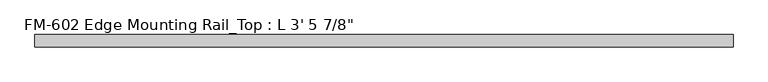
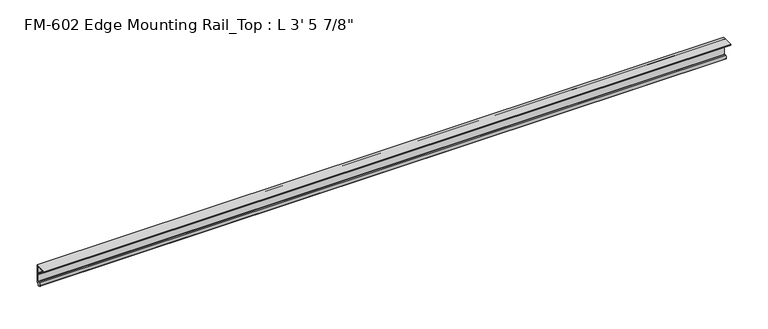
"""IFC4 building model written with IfcOpenShell, lengths in millimetres: proxy geometry."""

from ifc_helpers import new_model, si_unit, point, frame, frame_2d, origin, place, context, project, spatial, polyline, circle_curve, trimmed, segment, composite_curve, outline, extrude, source, transform, mapped, element, save


def proxy_885f9b1a(model_context):
    return source(origin(), model_context, "Body", "SweptSolid", [
        extrude(outline(composite_curve([segment(trimmed(circle_curve(frame_2d((14.5481808, -29.2063136)), 3.048), [point((13.6400687, -32.1158903))], [point((11.9462301, -30.7938136))], False, "CARTESIAN"), True, "CONTINUOUS"), segment(trimmed(circle_curve(frame_2d((14.5481808, -29.2063136)), 3.048), [point((11.9462301, -30.7938136))], [point((13.6400687, -26.2967369))], False, "CARTESIAN"), True, "CONTINUOUS"), segment(polyline([(13.6400687, -26.2967369), (15.4364113, -25.7360779)]), True, "CONTINUOUS"), segment(trimmed(circle_curve(frame_2d((15.6245238, -26.2747792)), 0.5706009), [point((15.4364113, -25.7360779))], [point((16.1779173, -26.4138515))], False, "CARTESIAN"), True, "CONTINUOUS"), segment(trimmed(circle_curve(frame_2d((16.9169378, -26.5995734)), 0.762), [point((16.1779173, -26.4138515))], [point((16.9376166, -27.3612928))], True, "CARTESIAN"), True, "CONTINUOUS"), segment(trimmed(circle_curve(frame_2d((16.9545, -26.8535734)), 0.508), [point((16.9376166, -27.3612928))], [point((17.4625, -26.8535734))], True, "CARTESIAN"), True, "CONTINUOUS"), segment(polyline([(17.4625, -26.8535734), (17.4625, -15.6659614), (17.9716639, -14.7485418), (17.9716639, -13.408381), (17.4625, -12.4909614), (17.4625, -3.5152595)]), True, "CONTINUOUS"), segment(trimmed(circle_curve(frame_2d((15.5575, -3.5152595)), 1.905), [point((17.4625, -3.5152595))], [point((15.5573314, -1.6102595))], True, "CARTESIAN"), True, "CONTINUOUS"), segment(polyline([(15.5573314, -1.6102595), (6.3856306, -1.6018315)]), True, "CONTINUOUS"), segment(trimmed(circle_curve(frame_2d((4.7981953, -1.5875)), 1.5875), [point((6.3856306, -1.6018315))], [point((3.2106953, -1.5875))], False, "CARTESIAN"), True, "CONTINUOUS"), segment(polyline([(3.2106953, -1.5875), (0.0, -1.5875), (0.0, 0.0), (19.05, 0.0), (19.05, -29.1395734), (17.7424378, -29.1395734)]), True, "CONTINUOUS"), segment(trimmed(circle_curve(frame_2d((17.7424378, -30.7270734)), 1.5875), [point((17.7424378, -29.1395734))], [point((16.1549378, -30.7270734))], True, "CARTESIAN"), True, "CONTINUOUS"), segment(polyline([(16.1549378, -30.7270734), (16.1549378, -32.2686835)]), True, "CONTINUOUS"), segment(trimmed(circle_curve(frame_2d((15.6853088, -32.2686835)), 0.4696291), [point((16.1549378, -32.2686835))], [point((15.4750158, -32.6885982))], False, "CARTESIAN"), True, "CONTINUOUS"), segment(polyline([(15.4750158, -32.6885982), (13.6400687, -32.1158903)]), True, "CONTINUOUS")], self_intersect=False)), frame((0.0, 0.0, 0.0), z_axis=(1.0, 0.0, 0.0), x_axis=(0.0, 1.0, 0.0)), (0.0, 0.0, 1.0), 1063.625),
    ])


if __name__ == "__main__":
    model = new_model("IFC4")
    model_context = context("Model", 3, world=origin())
    ifc_project = project(units=[si_unit("LENGTHUNIT", "METRE", prefix="MILLI")], contexts=[model_context])
    site = spatial("IfcSite", under=ifc_project)
    building = spatial("IfcBuilding", under=site)
    placement = place(None, origin())
    proxy_shape = proxy_885f9b1a(model_context)
    element("IfcBuildingElementProxy", 1, Name="FM-602 Edge Mounting Rail_Top : L 3' 5 7/8\"", ObjectType="FM-602 Edge Mounting Rail_Top : L 3' 5 7/8\"", at=placement, inside=building, context=model_context, shape_type="MappedRepresentation", body=[
        mapped(proxy_shape, transform((0.0, 0.0, 0.0), x_axis=(1.0, 0.0, 0.0), y_axis=(0.0, 1.0, 0.0), z_axis=(0.0, 0.0, 1.0))),
    ])
    save(model, "model.ifc")
